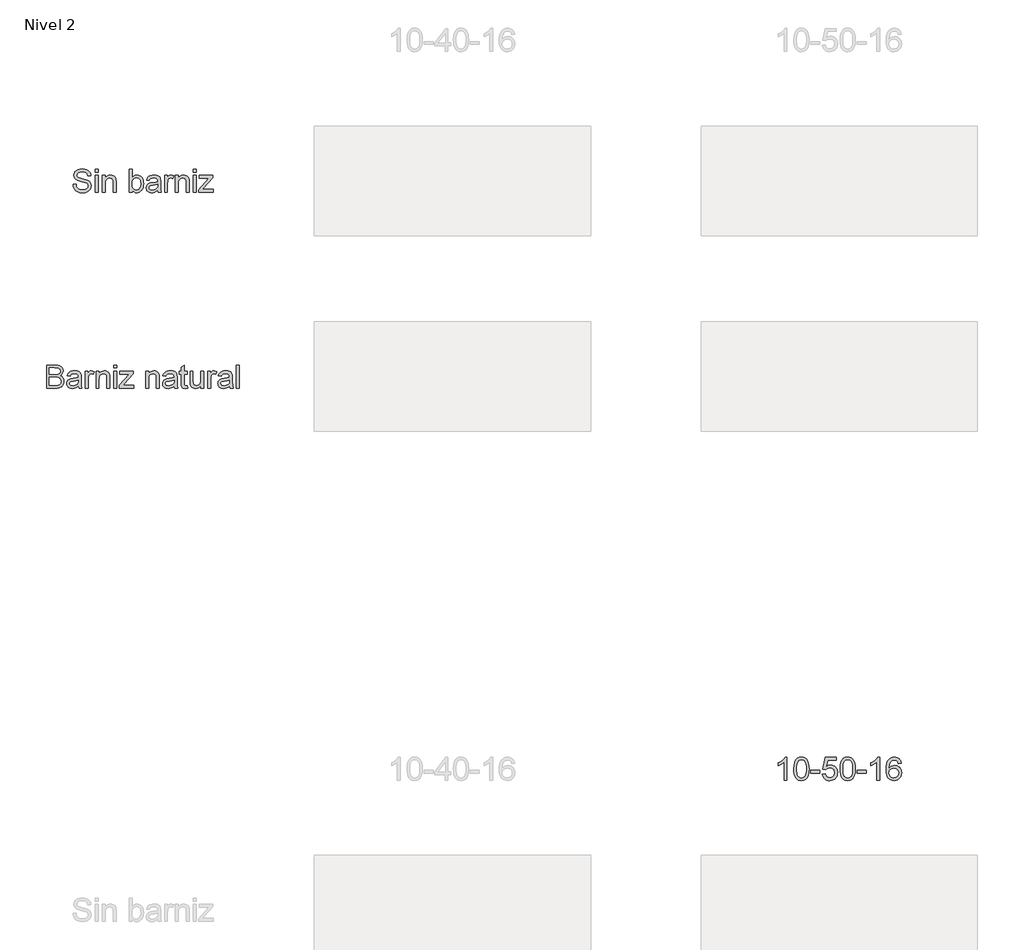
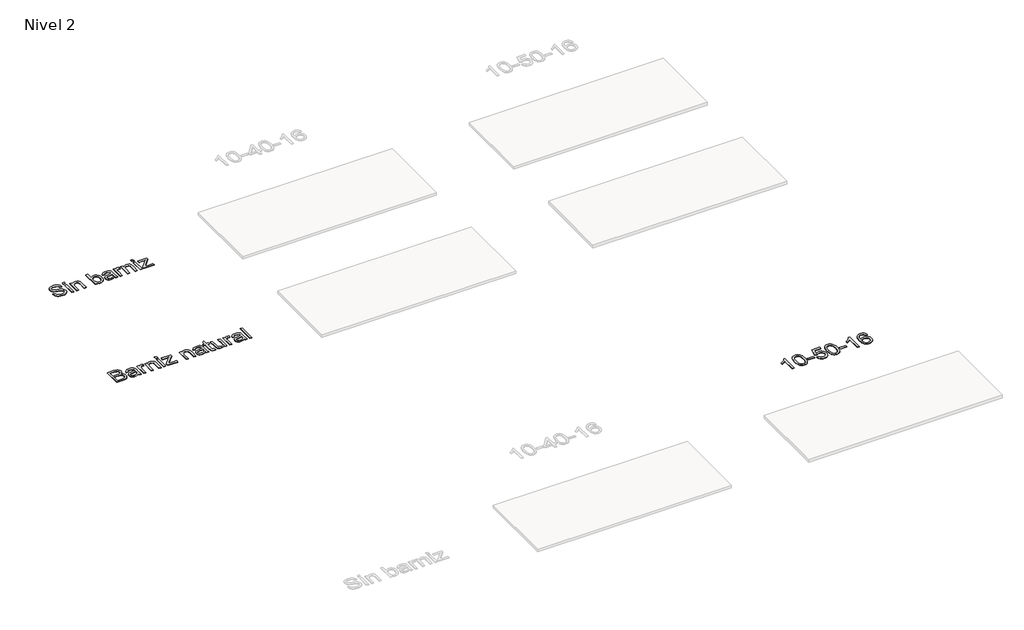
# One storey, part 9 of 51: 3 proxies.
"""IFC4 building model written with IfcOpenShell, lengths in millimetres."""

from ifc_helpers import new_model, si_unit, frame, origin, place, context, project, spatial, polyline, outline, extrude, element, save

model = new_model("IFC4")

# Units and contexts
model_context = context("Model", 3, world=origin())
ifc_project = project(units=[si_unit("LENGTHUNIT", "METRE", prefix="MILLI")], contexts=[model_context])

# Site, building, storey
site = spatial("IfcSite", under=ifc_project)
building = spatial("IfcBuilding", under=site)
storey = spatial("IfcBuildingStorey", under=building, Name="Nivel 2", Elevation=3000.0)

# Proxies
placement = place(None, origin())
element("IfcBuildingElementProxy", 1, Name="Texto de modelo 1", ObjectType="Texto de modelo 1", at=placement, inside=storey, context=model_context, shape_type="SweptSolid", body=[
    extrude(outline(polyline([(-14286.3795874, -54083.7972175), (-14236.1514323, -54083.7972175), (-14230.3879477, -54111.67041), (-14219.9646245, -54134.0744235), (-14203.7042403, -54151.8553866), (-14180.4295728, -54165.8594279), (-14151.9800318, -54174.9461132), (-14120.1950274, -54177.9750082), (-14092.2114703, -54175.6818771), (-14067.7105294, -54168.8024838), (-14047.8571644, -54157.9131768), (-14033.8163349, -54143.5903044), (-14025.4654137, -54127.1459792), (-14022.6817732, -54109.8923137), (-14024.7664379, -54093.0801065), (-14031.0204318, -54078.5487677), (-14043.7246233, -54066.1511444), (-14065.1598809, -54055.740084), (-14138.2948216, -54036.5611693), (-14186.3034219, -54023.8692405), (-14217.0215685, -54011.7904483), (-14242.0252815, -53994.892402), (-14259.7449309, -53974.4136376), (-14270.3031442, -53950.7956135), (-14273.8225486, -53924.4797881), (-14269.4692783, -53895.0614912), (-14256.4094675, -53867.6297571), (-14234.9864726, -53844.379615), (-14205.5436503, -53827.5060942), (-14170.2024533, -53817.2421865), (-14131.0843345, -53813.820884), (-14088.7043286, -53817.401602), (-14051.6218235, -53828.1437563), (-14021.1611943, -53845.8266175), (-13998.6468162, -53870.2294565), (-13984.3975203, -53899.8316944), (-13978.7321375, -53933.1127523), (-14028.9602926, -53933.1127523), (-14038.181868, -53903.1426324), (-14046.545052, -53891.2845694), (-14057.4098336, -53881.5111711), (-14087.4535298, -53868.414572), (-14129.1222972, -53864.049039), (-14171.7720831, -53868.3655211), (-14188.0753869, -53873.7611237), (-14201.0309645, -53881.3149673), (-14217.9535363, -53900.3712547), (-14223.5943935, -53923.0082601), (-14219.5967425, -53942.3098021), (-14207.6037895, -53957.8344223), (-14179.2523504, -53971.7158363), (-14125.59063, -53985.8915558), (-14070.212127, -53999.3560369), (-14036.71034, -54011.1037352), (-14008.076858, -54029.3261567), (-13988.1008657, -54051.8160094), (-13976.36543, -54078.3280385), (-13972.4536181, -54108.6169894), (-13976.9540412, -54139.5803907), (-13990.4553104, -54168.704382), (-14012.4056028, -54193.7694086), (-14042.2530954, -54212.5559158), (-14078.1461154, -54224.2913514), (-14118.2329901, -54228.2031633), (-14167.4433383, -54223.9847831), (-14207.947146, -54211.3296425), (-14240.210397, -54190.1886905), (-14264.6990751, -54160.5128762), (-14280.419899, -54124.3623388), (-14286.3795874, -54083.7972175)])), frame((0.0, 0.0, 3000.0), z_axis=(0.0, 0.0, 1.0), x_axis=(1.0, 0.0, 0.0)), (0.0, 0.0, 1.0), 10.0),
    extrude(outline(polyline([(-13903.3899049, -53870.3275584), (-13903.3899049, -53820.0994033), (-13853.1617498, -53820.0994033), (-13853.1617498, -53870.3275584), (-13903.3899049, -53870.3275584)])), frame((0.0, 0.0, 3000.0), z_axis=(0.0, 0.0, 1.0), x_axis=(1.0, 0.0, 0.0)), (0.0, 0.0, 1.0), 10.0),
    extrude(outline(polyline([(-13903.3899049, -54221.9246439), (-13903.3899049, -53926.8342329), (-13853.1617498, -53926.8342329), (-13853.1617498, -54221.9246439), (-13903.3899049, -54221.9246439)])), frame((0.0, 0.0, 3000.0), z_axis=(0.0, 0.0, 1.0), x_axis=(1.0, 0.0, 0.0)), (0.0, 0.0, 1.0), 10.0),
    extrude(outline(polyline([(-13777.8195172, -54221.9246439), (-13777.8195172, -53926.8342329), (-13727.5913622, -53926.8342329), (-13727.5913622, -53968.0370163), (-13710.1414929, -53947.2639463), (-13689.1844819, -53932.4260392), (-13664.7203292, -53923.5232949), (-13636.7490348, -53920.5557135), (-13611.9905765, -53922.9469465), (-13589.3167829, -53930.1206454), (-13570.4076484, -53941.1816307), (-13556.9431673, -53955.2347229), (-13547.8074311, -53972.2431338), (-13541.884531, -53992.1700752), (-13539.2357806, -54040.7304986), (-13539.2357806, -54221.9246439), (-13589.4639357, -54221.9246439), (-13589.4639357, -54047.4995273), (-13590.9109382, -54021.5270584), (-13595.2519458, -54003.0593823), (-13603.2595105, -53989.8278932), (-13615.7061847, -53979.5639855), (-13631.6600005, -53972.9788978), (-13650.1889904, -53970.7838686), (-13679.6072873, -53975.7134873), (-13704.6845766, -53990.5023435), (-13714.7062953, -54002.5750043), (-13721.8646658, -54019.0745118), (-13726.1596881, -54040.000866), (-13727.5913622, -54065.3540668), (-13727.5913622, -54221.9246439), (-13777.8195172, -54221.9246439)])), frame((0.0, 0.0, 3000.0), z_axis=(0.0, 0.0, 1.0), x_axis=(1.0, 0.0, 0.0)), (0.0, 0.0, 1.0), 10.0),
    extrude(outline(polyline([(-13262.9809277, -54221.9246439), (-13313.2090828, -54221.9246439), (-13313.2090828, -53820.0994033), (-13262.9809277, -53820.0994033), (-13262.9809277, -53969.1161369), (-13246.4630261, -53947.8709516), (-13227.811409, -53932.6958193), (-13207.0260763, -53923.5907399), (-13184.107028, -53920.5557135), (-13158.232661, -53923.290303), (-13133.780771, -53931.4940715), (-13112.1493097, -53944.6519842), (-13094.7362286, -53962.2490063), (-13081.0878066, -53984.1134595), (-13070.7503225, -54010.0736656), (-13064.2388112, -54039.0505041), (-13062.0683074, -54069.9648545), (-13064.3154533, -54105.6371453), (-13071.0568908, -54137.0174795), (-13082.2926201, -54164.105857), (-13098.0226411, -54186.902278), (-13116.9041845, -54204.9714153), (-13137.594481, -54217.877942), (-13160.0935307, -54225.621858), (-13184.4013335, -54228.2031633), (-13208.0745399, -54224.8738313), (-13229.0622078, -54214.8858351), (-13247.364337, -54198.2391748), (-13262.9809277, -54174.9338504), (-13262.9809277, -54221.9246439)]), holes=[polyline([(-13262.9809277, -54072.3192992), (-13259.5473624, -54114.2087957), (-13249.2466666, -54142.5602348), (-13237.0759039, -54158.0541982), (-13222.9308412, -54169.1213149), (-13206.8114784, -54175.7615849), (-13188.7178156, -54177.9750082), (-13173.6959675, -54176.3440647), (-13159.7287144, -54171.4512342), (-13146.8160564, -54163.2965166), (-13134.9579934, -54151.8799121), (-13125.0435736, -54137.2320773), (-13117.9618452, -54119.3836691), (-13113.7128082, -54098.3346877), (-13112.2964625, -54074.0851328), (-13117.7288533, -54028.1244089), (-13124.5193418, -54010.331183), (-13134.0260257, -53995.996048), (-13145.4579587, -53984.9657195), (-13158.0241945, -53977.0869134), (-13171.7247331, -53972.3596298), (-13186.5595746, -53970.7838686), (-13201.5814227, -53972.4148121), (-13215.5486758, -53977.3076426), (-13228.4613338, -53985.4623602), (-13240.3193968, -53996.8789648), (-13250.2338166, -54011.3796467), (-13257.315545, -54028.7865965), (-13261.564582, -54049.099814), (-13262.9809277, -54072.3192992)])]), frame((0.0, 0.0, 3000.0), z_axis=(0.0, 0.0, 1.0), x_axis=(1.0, 0.0, 0.0)), (0.0, 0.0, 1.0), 10.0),
    extrude(outline(polyline([(-12817.2060514, -54184.2535276), (-12841.2042202, -54204.8303939), (-12865.9136276, -54218.2948749), (-12891.8983592, -54225.7260912), (-12919.7225008, -54228.2031633), (-12942.0866604, -54226.7132412), (-12961.6978364, -54222.243475), (-12978.5560288, -54214.7938646), (-12992.6612377, -54204.36441), (-13003.7988651, -54191.6172989), (-13011.7543132, -54177.2147188), (-13016.5275821, -54161.1566697), (-13018.1186717, -54143.4431516), (-13015.715176, -54122.6210307), (-13008.5046889, -54103.7118962), (-12997.3823899, -54087.5250884), (-12983.2434586, -54074.8699477), (-12966.6274551, -54065.3050159), (-12948.0739398, -54058.3888343), (-12904.6148135, -54050.8349907), (-12853.258487, -54042.8887396), (-12817.500357, -54033.5690624), (-12817.2060514, -54022.3854498), (-12820.6641422, -53999.9691735), (-12831.0384144, -53985.3029446), (-12854.2395056, -53974.4136376), (-12886.5640703, -53970.7838686), (-12916.4851392, -53973.199627), (-12937.3808365, -53980.4469023), (-12951.6301325, -53993.8500697), (-12961.6119973, -54014.7335043), (-13011.8401523, -54008.4549849), (-13003.1213491, -53980.9864626), (-12990.1105892, -53959.4040522), (-12971.5938621, -53942.8984133), (-12946.3571572, -53930.6602056), (-12915.4918578, -53923.0818365), (-12880.0893471, -53920.5557135), (-12846.133839, -53922.7875309), (-12819.2171397, -53929.4829832), (-12798.9223163, -53939.5506872), (-12784.8324359, -53951.8992595), (-12775.4882332, -53967.1663623), (-12769.430443, -53985.9896577), (-12766.9778964, -54029.9392934), (-12766.9778964, -54092.4301816), (-12764.4272479, -54179.6917909), (-12754.4208576, -54221.9246439), (-12804.6490127, -54221.9246439), (-12812.6933656, -54204.4625119), (-12817.2060514, -54184.2535276)]), holes=[polyline([(-12817.2060514, -54083.7972175), (-12850.9530931, -54092.1604015), (-12898.2381922, -54099.1992103), (-12941.4520639, -54107.3416652), (-12952.6969903, -54112.908946), (-12961.0233861, -54120.585417), (-12966.173734, -54129.7824669), (-12967.8905167, -54139.9114845), (-12964.150383, -54154.8474935), (-12952.9299822, -54167.0857012), (-12934.4745688, -54175.2526815), (-12909.0293974, -54177.9750082), (-12882.0513844, -54174.9706386), (-12858.2126312, -54165.9575297), (-12838.8865637, -54152.6769897), (-12825.4466081, -54136.8703267), (-12819.4869198, -54120.585417), (-12817.500357, -54098.021988), (-12817.2060514, -54083.7972175)])]), frame((0.0, 0.0, 3000.0), z_axis=(0.0, 0.0, 1.0), x_axis=(1.0, 0.0, 0.0)), (0.0, 0.0, 1.0), 10.0),
    extrude(outline(polyline([(-12697.9141831, -54221.9246439), (-12697.9141831, -53926.8342329), (-12653.9645474, -53926.8342329), (-12653.9645474, -53970.489563), (-12637.7286887, -53945.1792817), (-12622.7681542, -53930.2677982), (-12607.7585688, -53922.9837347), (-12591.3755573, -53920.5557135), (-12566.3595816, -53924.4307372), (-12540.9511985, -53936.0558082), (-12557.7266175, -53981.0845644), (-12575.3849533, -53973.3590425), (-12593.043289, -53970.7838686), (-12608.0406117, -53973.2609407), (-12621.4437791, -53980.692157), (-12632.2717725, -53992.5134317), (-12639.5435732, -54008.1606793), (-12645.6504143, -54036.2178128), (-12647.6860281, -54066.8255948), (-12647.6860281, -54221.9246439), (-12697.9141831, -54221.9246439)])), frame((0.0, 0.0, 3000.0), z_axis=(0.0, 0.0, 1.0), x_axis=(1.0, 0.0, 0.0)), (0.0, 0.0, 1.0), 10.0),
    extrude(outline(polyline([(-12509.5586016, -54221.9246439), (-12509.5586016, -53926.8342329), (-12459.3304465, -53926.8342329), (-12459.3304465, -53968.0370163), (-12441.8805772, -53947.2639463), (-12420.9235662, -53932.4260392), (-12396.4594135, -53923.5232949), (-12368.4881192, -53920.5557135), (-12343.7296609, -53922.9469465), (-12321.0558673, -53930.1206454), (-12302.1467327, -53941.1816307), (-12288.6822517, -53955.2347229), (-12279.5465155, -53972.2431338), (-12273.6236154, -53992.1700752), (-12270.974865, -54040.7304986), (-12270.974865, -54221.9246439), (-12321.2030201, -54221.9246439), (-12321.2030201, -54047.4995273), (-12322.6500226, -54021.5270584), (-12326.9910301, -54003.0593823), (-12334.9985949, -53989.8278932), (-12347.4452691, -53979.5639855), (-12363.3990849, -53972.9788978), (-12381.9280747, -53970.7838686), (-12411.3463716, -53975.7134873), (-12436.423661, -53990.5023435), (-12446.4453796, -54002.5750043), (-12453.6037501, -54019.0745118), (-12457.8987724, -54040.000866), (-12459.3304465, -54065.3540668), (-12459.3304465, -54221.9246439), (-12509.5586016, -54221.9246439)])), frame((0.0, 0.0, 3000.0), z_axis=(0.0, 0.0, 1.0), x_axis=(1.0, 0.0, 0.0)), (0.0, 0.0, 1.0), 10.0),
    extrude(outline(polyline([(-12201.9111518, -53870.3275584), (-12201.9111518, -53820.0994033), (-12151.6829967, -53820.0994033), (-12151.6829967, -53870.3275584), (-12201.9111518, -53870.3275584)])), frame((0.0, 0.0, 3000.0), z_axis=(0.0, 0.0, 1.0), x_axis=(1.0, 0.0, 0.0)), (0.0, 0.0, 1.0), 10.0),
    extrude(outline(polyline([(-12201.9111518, -54221.9246439), (-12201.9111518, -53926.8342329), (-12151.6829967, -53926.8342329), (-12151.6829967, -54221.9246439), (-12201.9111518, -54221.9246439)])), frame((0.0, 0.0, 3000.0), z_axis=(0.0, 0.0, 1.0), x_axis=(1.0, 0.0, 0.0)), (0.0, 0.0, 1.0), 10.0),
    extrude(outline(polyline([(-12107.733361, -54221.9246439), (-12107.733361, -54174.6395448), (-11934.3873649, -53977.0623879), (-11985.6946405, -53977.0623879), (-12095.1763222, -53977.0623879), (-12095.1763222, -53926.8342329), (-11862.871105, -53926.8342329), (-11862.871105, -53969.5085443), (-12016.5967281, -54144.8165777), (-12040.1411757, -54171.6964889), (-11982.0648714, -54171.6964889), (-11856.5925856, -54171.6964889), (-11856.5925856, -54221.9246439), (-12107.733361, -54221.9246439)])), frame((0.0, 0.0, 3000.0), z_axis=(0.0, 0.0, 1.0), x_axis=(1.0, 0.0, 0.0)), (0.0, 0.0, 1.0), 10.0),
])
element("IfcBuildingElementProxy", 2, Name="Texto de modelo 1", ObjectType="Texto de modelo 1", at=placement, inside=storey, context=model_context, shape_type="SweptSolid", body=[
    extrude(outline(polyline([(-14747.8507621, -57621.9246439), (-14747.8507621, -57220.0994033), (-14594.5175465, -57220.0994033), (-14552.3460071, -57223.054722), (-14519.4205686, -57231.9206781), (-14494.1838637, -57246.9180008), (-14475.0785254, -57268.2674192), (-14463.0487842, -57293.3814968), (-14459.0388704, -57319.6727967), (-14462.4111221, -57343.8671692), (-14472.5278769, -57366.6145393), (-14489.4627114, -57386.5169552), (-14513.289202, -57402.1764655), (-14484.8273983, -57417.0388981), (-14463.7968109, -57439.6513781), (-14450.8105765, -57468.5178519), (-14446.4818317, -57502.1422663), (-14449.4371504, -57530.1626116), (-14458.3031064, -57556.1473432), (-14471.5345955, -57578.2447884), (-14487.5865133, -57594.6032744), (-14507.2436745, -57606.4490747), (-14531.2908943, -57615.0084624), (-14560.5129874, -57620.1955986), (-14595.6947689, -57621.9246439), (-14747.8507621, -57621.9246439)]), holes=[polyline([(-14697.622607, -57383.3409073), (-14605.8973629, -57383.3409073), (-14552.3337444, -57379.0244253), (-14533.5840254, -57371.5809462), (-14520.1072816, -57360.4341218), (-14511.9770895, -57345.7556302), (-14509.2670255, -57327.7171497), (-14511.7931485, -57310.2059667), (-14519.3715176, -57294.9511266), (-14531.6587763, -57283.0440127), (-14548.3115679, -57275.5760082), (-14573.8671039, -57271.6396709), (-14612.8625954, -57270.3275584), (-14697.622607, -57270.3275584), (-14697.622607, -57383.3409073)]), polyline([(-14697.622607, -57571.6964889), (-14594.6156484, -57571.6964889), (-14557.3369395, -57569.7344516), (-14525.7971898, -57558.7960936), (-14514.2211697, -57549.3660518), (-14504.9014925, -57536.4779192), (-14498.7578632, -57520.7080443), (-14496.7099867, -57502.6327756), (-14499.1134824, -57481.6389764), (-14506.3239695, -57463.5882332), (-14518.9177965, -57449.4738273), (-14537.4713118, -57440.2890402), (-14563.750349, -57435.2490569), (-14599.5207417, -57433.5690624), (-14697.622607, -57433.5690624), (-14697.622607, -57571.6964889)])]), frame((0.0, 0.0, 3000.0), z_axis=(0.0, 0.0, 1.0), x_axis=(1.0, 0.0, 0.0)), (0.0, 0.0, 1.0), 10.0),
    extrude(outline(polyline([(-14195.3410563, -57584.2535276), (-14219.3392251, -57604.8303939), (-14244.0486325, -57618.2948749), (-14270.033364, -57625.7260912), (-14297.8575056, -57628.2031633), (-14320.2216652, -57626.7132412), (-14339.8328413, -57622.243475), (-14356.6910337, -57614.7938646), (-14370.7962425, -57604.36441), (-14381.9338699, -57591.6172989), (-14389.8893181, -57577.2147188), (-14394.662587, -57561.1566697), (-14396.2536766, -57543.4431516), (-14393.8501809, -57522.6210307), (-14386.6396938, -57503.7118962), (-14375.5173948, -57487.5250884), (-14361.3784634, -57474.8699477), (-14344.76246, -57465.3050159), (-14326.2089447, -57458.3888343), (-14282.7498183, -57450.8349907), (-14231.3934918, -57442.8887396), (-14195.6353619, -57433.5690624), (-14195.3410563, -57422.3854498), (-14198.799147, -57399.9691735), (-14209.1734193, -57385.3029446), (-14232.3745105, -57374.4136376), (-14264.6990751, -57370.7838686), (-14294.6201441, -57373.199627), (-14315.5158414, -57380.4469023), (-14329.7651373, -57393.8500697), (-14339.7470021, -57414.7335043), (-14389.9751572, -57408.4549849), (-14381.2563539, -57380.9864626), (-14368.245594, -57359.4040522), (-14349.7288669, -57342.8984133), (-14324.4921621, -57330.6602056), (-14293.6268627, -57323.0818365), (-14258.224352, -57320.5557135), (-14224.2688438, -57322.7875309), (-14197.3521445, -57329.4829832), (-14177.0573211, -57339.5506872), (-14162.9674407, -57351.8992595), (-14153.623238, -57367.1663623), (-14147.5654479, -57385.9896577), (-14145.1129012, -57429.9392934), (-14145.1129012, -57492.4301816), (-14142.5622527, -57579.6917909), (-14132.5558624, -57621.9246439), (-14182.7840175, -57621.9246439), (-14190.8283705, -57604.4625119), (-14195.3410563, -57584.2535276)]), holes=[polyline([(-14195.3410563, -57483.7972175), (-14229.088098, -57492.1604015), (-14276.3731971, -57499.1992103), (-14319.5870688, -57507.3416652), (-14330.8319951, -57512.908946), (-14339.1583909, -57520.585417), (-14344.3087389, -57529.7824669), (-14346.0255215, -57539.9114845), (-14342.2853879, -57554.8474935), (-14331.064987, -57567.0857012), (-14312.6095736, -57575.2526815), (-14287.1644023, -57577.9750082), (-14260.1863893, -57574.9706386), (-14236.347636, -57565.9575297), (-14217.0215685, -57552.6769897), (-14203.581613, -57536.8703267), (-14197.6219247, -57520.585417), (-14195.6353619, -57498.021988), (-14195.3410563, -57483.7972175)])]), frame((0.0, 0.0, 3000.0), z_axis=(0.0, 0.0, 1.0), x_axis=(1.0, 0.0, 0.0)), (0.0, 0.0, 1.0), 10.0),
    extrude(outline(polyline([(-14076.049188, -57621.9246439), (-14076.049188, -57326.8342329), (-14032.0995523, -57326.8342329), (-14032.0995523, -57370.489563), (-14015.8636936, -57345.1792817), (-14000.9031591, -57330.2677982), (-13985.8935737, -57322.9837347), (-13969.5105622, -57320.5557135), (-13944.4945865, -57324.4307372), (-13919.0862034, -57336.0558082), (-13935.8616224, -57381.0845644), (-13953.5199581, -57373.3590425), (-13971.1782939, -57370.7838686), (-13986.1756166, -57373.2609407), (-13999.5787839, -57380.692157), (-14010.4067773, -57392.5134317), (-14017.6785781, -57408.1606793), (-14023.7854192, -57436.2178128), (-14025.8210329, -57466.8255948), (-14025.8210329, -57621.9246439), (-14076.049188, -57621.9246439)])), frame((0.0, 0.0, 3000.0), z_axis=(0.0, 0.0, 1.0), x_axis=(1.0, 0.0, 0.0)), (0.0, 0.0, 1.0), 10.0),
    extrude(outline(polyline([(-13887.6936065, -57621.9246439), (-13887.6936065, -57326.8342329), (-13837.4654514, -57326.8342329), (-13837.4654514, -57368.0370163), (-13820.0155821, -57347.2639463), (-13799.0585711, -57332.4260392), (-13774.5944184, -57323.5232949), (-13746.623124, -57320.5557135), (-13721.8646658, -57322.9469465), (-13699.1908721, -57330.1206454), (-13680.2817376, -57341.1816307), (-13666.8172566, -57355.2347229), (-13657.6815203, -57372.2431338), (-13651.7586202, -57392.1700752), (-13649.1098699, -57440.7304986), (-13649.1098699, -57621.9246439), (-13699.3380249, -57621.9246439), (-13699.3380249, -57447.4995273), (-13700.7850274, -57421.5270584), (-13705.126035, -57403.0593823), (-13713.1335997, -57389.8278932), (-13725.5802739, -57379.5639855), (-13741.5340898, -57372.9788978), (-13760.0630796, -57370.7838686), (-13789.4813765, -57375.7134873), (-13814.5586658, -57390.5023435), (-13824.5803845, -57402.5750043), (-13831.738755, -57419.0745118), (-13836.0337773, -57440.000866), (-13837.4654514, -57465.3540668), (-13837.4654514, -57621.9246439), (-13887.6936065, -57621.9246439)])), frame((0.0, 0.0, 3000.0), z_axis=(0.0, 0.0, 1.0), x_axis=(1.0, 0.0, 0.0)), (0.0, 0.0, 1.0), 10.0),
    extrude(outline(polyline([(-13580.0461566, -57270.3275584), (-13580.0461566, -57220.0994033), (-13529.8180016, -57220.0994033), (-13529.8180016, -57270.3275584), (-13580.0461566, -57270.3275584)])), frame((0.0, 0.0, 3000.0), z_axis=(0.0, 0.0, 1.0), x_axis=(1.0, 0.0, 0.0)), (0.0, 0.0, 1.0), 10.0),
    extrude(outline(polyline([(-13580.0461566, -57621.9246439), (-13580.0461566, -57326.8342329), (-13529.8180016, -57326.8342329), (-13529.8180016, -57621.9246439), (-13580.0461566, -57621.9246439)])), frame((0.0, 0.0, 3000.0), z_axis=(0.0, 0.0, 1.0), x_axis=(1.0, 0.0, 0.0)), (0.0, 0.0, 1.0), 10.0),
    extrude(outline(polyline([(-13485.8683659, -57621.9246439), (-13485.8683659, -57574.6395448), (-13312.5223697, -57377.0623879), (-13363.8296453, -57377.0623879), (-13473.3113271, -57377.0623879), (-13473.3113271, -57326.8342329), (-13241.0061099, -57326.8342329), (-13241.0061099, -57369.5085443), (-13394.7317329, -57544.8165777), (-13418.2761806, -57571.6964889), (-13360.1998763, -57571.6964889), (-13234.7275905, -57571.6964889), (-13234.7275905, -57621.9246439), (-13485.8683659, -57621.9246439)])), frame((0.0, 0.0, 3000.0), z_axis=(0.0, 0.0, 1.0), x_axis=(1.0, 0.0, 0.0)), (0.0, 0.0, 1.0), 10.0),
    extrude(outline(polyline([(-13027.5364508, -57621.9246439), (-13027.5364508, -57326.8342329), (-12977.3082957, -57326.8342329), (-12977.3082957, -57368.0370163), (-12959.8584264, -57347.2639463), (-12938.9014154, -57332.4260392), (-12914.4372628, -57323.5232949), (-12886.4659684, -57320.5557135), (-12861.7075101, -57322.9469465), (-12839.0337165, -57330.1206454), (-12820.1245819, -57341.1816307), (-12806.6601009, -57355.2347229), (-12797.5243647, -57372.2431338), (-12791.6014646, -57392.1700752), (-12788.9527142, -57440.7304986), (-12788.9527142, -57621.9246439), (-12839.1808693, -57621.9246439), (-12839.1808693, -57447.4995273), (-12840.6278718, -57421.5270584), (-12844.9688793, -57403.0593823), (-12852.9764441, -57389.8278932), (-12865.4231183, -57379.5639855), (-12881.3769341, -57372.9788978), (-12899.9059239, -57370.7838686), (-12929.3242208, -57375.7134873), (-12954.4015102, -57390.5023435), (-12964.4232288, -57402.5750043), (-12971.5815993, -57419.0745118), (-12975.8766216, -57440.000866), (-12977.3082957, -57465.3540668), (-12977.3082957, -57621.9246439), (-13027.5364508, -57621.9246439)])), frame((0.0, 0.0, 3000.0), z_axis=(0.0, 0.0, 1.0), x_axis=(1.0, 0.0, 0.0)), (0.0, 0.0, 1.0), 10.0),
    extrude(outline(polyline([(-12531.5334194, -57584.2535276), (-12555.5315883, -57604.8303939), (-12580.2409956, -57618.2948749), (-12606.2257272, -57625.7260912), (-12634.0498688, -57628.2031633), (-12656.4140284, -57626.7132412), (-12676.0252044, -57622.243475), (-12692.8833968, -57614.7938646), (-12706.9886057, -57604.36441), (-12718.1262331, -57591.6172989), (-12726.0816812, -57577.2147188), (-12730.8549501, -57561.1566697), (-12732.4460397, -57543.4431516), (-12730.042544, -57522.6210307), (-12722.8320569, -57503.7118962), (-12711.7097579, -57487.5250884), (-12697.5708266, -57474.8699477), (-12680.9548231, -57465.3050159), (-12662.4013079, -57458.3888343), (-12618.9421815, -57450.8349907), (-12567.585855, -57442.8887396), (-12531.827725, -57433.5690624), (-12531.5334194, -57422.3854498), (-12534.9915102, -57399.9691735), (-12545.3657825, -57385.3029446), (-12568.5668736, -57374.4136376), (-12600.8914383, -57370.7838686), (-12630.8125072, -57373.199627), (-12651.7082045, -57380.4469023), (-12665.9575005, -57393.8500697), (-12675.9393653, -57414.7335043), (-12726.1675204, -57408.4549849), (-12717.4487171, -57380.9864626), (-12704.4379572, -57359.4040522), (-12685.9212301, -57342.8984133), (-12660.6845252, -57330.6602056), (-12629.8192258, -57323.0818365), (-12594.4167151, -57320.5557135), (-12560.461207, -57322.7875309), (-12533.5445077, -57329.4829832), (-12513.2496843, -57339.5506872), (-12499.1598039, -57351.8992595), (-12489.8156012, -57367.1663623), (-12483.757811, -57385.9896577), (-12481.3052644, -57429.9392934), (-12481.3052644, -57492.4301816), (-12478.7546159, -57579.6917909), (-12468.7482256, -57621.9246439), (-12518.9763807, -57621.9246439), (-12527.0207336, -57604.4625119), (-12531.5334194, -57584.2535276)]), holes=[polyline([(-12531.5334194, -57483.7972175), (-12565.2804611, -57492.1604015), (-12612.5655602, -57499.1992103), (-12655.7794319, -57507.3416652), (-12667.0243583, -57512.908946), (-12675.3507541, -57520.585417), (-12680.501102, -57529.7824669), (-12682.2178847, -57539.9114845), (-12678.477751, -57554.8474935), (-12667.2573502, -57567.0857012), (-12648.8019368, -57575.2526815), (-12623.3567654, -57577.9750082), (-12596.3787525, -57574.9706386), (-12572.5399992, -57565.9575297), (-12553.2139317, -57552.6769897), (-12539.7739761, -57536.8703267), (-12533.8142878, -57520.585417), (-12531.827725, -57498.021988), (-12531.5334194, -57483.7972175)])]), frame((0.0, 0.0, 3000.0), z_axis=(0.0, 0.0, 1.0), x_axis=(1.0, 0.0, 0.0)), (0.0, 0.0, 1.0), 10.0),
    extrude(outline(polyline([(-12305.5067216, -57580.0351474), (-12299.2282022, -57623.3961719), (-12336.8012167, -57628.2031633), (-12360.9097501, -57626.1184987), (-12378.8869169, -57619.8645048), (-12391.5911085, -57610.2259965), (-12399.8807161, -57597.9877888), (-12404.4424528, -57576.9694641), (-12405.9630318, -57540.990605), (-12405.9630318, -57377.0623879), (-12443.6341481, -57377.0623879), (-12443.6341481, -57326.8342329), (-12405.9630318, -57326.8342329), (-12405.9630318, -57255.1217693), (-12355.7348767, -57225.5931078), (-12355.7348767, -57326.8342329), (-12305.5067216, -57326.8342329), (-12305.5067216, -57377.0623879), (-12355.7348767, -57377.0623879), (-12355.7348767, -57539.519077), (-12353.0861263, -57565.4179695), (-12344.5022131, -57574.5904939), (-12327.3834376, -57577.9750082), (-12305.5067216, -57580.0351474)])), frame((0.0, 0.0, 3000.0), z_axis=(0.0, 0.0, 1.0), x_axis=(1.0, 0.0, 0.0)), (0.0, 0.0, 1.0), 10.0),
    extrude(outline(polyline([(-12066.922985, -57621.9246439), (-12066.922985, -57571.2059795), (-12085.0963556, -57596.1422474), (-12106.261833, -57613.9538674), (-12130.4194174, -57624.6408393), (-12157.5691086, -57628.2031633), (-12182.0332613, -57625.7015658), (-12204.8051568, -57618.1967731), (-12223.9104951, -57606.9150585), (-12237.3749761, -57593.0826955), (-12246.4371359, -57576.2827511), (-12252.3355106, -57556.0982923), (-12255.2785665, -57509.4018043), (-12255.2785665, -57326.8342329), (-12205.0504115, -57326.8342329), (-12205.0504115, -57485.7592548), (-12202.0092536, -57536.9684285), (-12194.6884019, -57554.0504158), (-12182.1436259, -57567.0366503), (-12165.2087914, -57575.2404187), (-12144.7177642, -57577.9750082), (-12123.0495147, -57575.1791051), (-12102.7792168, -57566.7913956), (-12086.0651115, -57553.584432), (-12075.0654398, -57536.3307664), (-12068.9585987, -57512.7004796), (-12066.922985, -57480.3636522), (-12066.922985, -57326.8342329), (-12016.6948299, -57326.8342329), (-12016.6948299, -57621.9246439), (-12066.922985, -57621.9246439)])), frame((0.0, 0.0, 3000.0), z_axis=(0.0, 0.0, 1.0), x_axis=(1.0, 0.0, 0.0)), (0.0, 0.0, 1.0), 10.0),
    extrude(outline(polyline([(-11947.6311167, -57621.9246439), (-11947.6311167, -57326.8342329), (-11903.681481, -57326.8342329), (-11903.681481, -57370.489563), (-11887.4456223, -57345.1792817), (-11872.4850878, -57330.2677982), (-11857.4755024, -57322.9837347), (-11841.0924909, -57320.5557135), (-11816.0765152, -57324.4307372), (-11790.6681321, -57336.0558082), (-11807.4435511, -57381.0845644), (-11825.1018868, -57373.3590425), (-11842.7602226, -57370.7838686), (-11857.7575453, -57373.2609407), (-11871.1607126, -57380.692157), (-11881.988706, -57392.5134317), (-11889.2605068, -57408.1606793), (-11895.3673479, -57436.2178128), (-11897.4029616, -57466.8255948), (-11897.4029616, -57621.9246439), (-11947.6311167, -57621.9246439)])), frame((0.0, 0.0, 3000.0), z_axis=(0.0, 0.0, 1.0), x_axis=(1.0, 0.0, 0.0)), (0.0, 0.0, 1.0), 10.0),
    extrude(outline(polyline([(-11570.9199536, -57584.2535276), (-11594.9181225, -57604.8303939), (-11619.6275298, -57618.2948749), (-11645.6122614, -57625.7260912), (-11673.436403, -57628.2031633), (-11695.8005626, -57626.7132412), (-11715.4117386, -57622.243475), (-11732.269931, -57614.7938646), (-11746.3751399, -57604.36441), (-11757.5127673, -57591.6172989), (-11765.4682154, -57577.2147188), (-11770.2414843, -57561.1566697), (-11771.8325739, -57543.4431516), (-11769.4290782, -57522.6210307), (-11762.2185911, -57503.7118962), (-11751.0962921, -57487.5250884), (-11736.9573608, -57474.8699477), (-11720.3413573, -57465.3050159), (-11701.7878421, -57458.3888343), (-11658.3287157, -57450.8349907), (-11606.9723892, -57442.8887396), (-11571.2142592, -57433.5690624), (-11570.9199536, -57422.3854498), (-11574.3780444, -57399.9691735), (-11584.7523167, -57385.3029446), (-11607.9534078, -57374.4136376), (-11640.2779725, -57370.7838686), (-11670.1990414, -57373.199627), (-11691.0947387, -57380.4469023), (-11705.3440347, -57393.8500697), (-11715.3258995, -57414.7335043), (-11765.5540545, -57408.4549849), (-11756.8352513, -57380.9864626), (-11743.8244914, -57359.4040522), (-11725.3077643, -57342.8984133), (-11700.0710594, -57330.6602056), (-11669.20576, -57323.0818365), (-11633.8032493, -57320.5557135), (-11599.8477412, -57322.7875309), (-11572.9310419, -57329.4829832), (-11552.6362185, -57339.5506872), (-11538.5463381, -57351.8992595), (-11529.2021354, -57367.1663623), (-11523.1443452, -57385.9896577), (-11520.6917986, -57429.9392934), (-11520.6917986, -57492.4301816), (-11518.1411501, -57579.6917909), (-11508.1347598, -57621.9246439), (-11558.3629149, -57621.9246439), (-11566.4072678, -57604.4625119), (-11570.9199536, -57584.2535276)]), holes=[polyline([(-11570.9199536, -57483.7972175), (-11604.6669953, -57492.1604015), (-11651.9520944, -57499.1992103), (-11695.1659661, -57507.3416652), (-11706.4108925, -57512.908946), (-11714.7372883, -57520.585417), (-11719.8876362, -57529.7824669), (-11721.6044189, -57539.9114845), (-11717.8642852, -57554.8474935), (-11706.6438844, -57567.0857012), (-11688.188471, -57575.2526815), (-11662.7432996, -57577.9750082), (-11635.7652867, -57574.9706386), (-11611.9265334, -57565.9575297), (-11592.6004659, -57552.6769897), (-11579.1605103, -57536.8703267), (-11573.200822, -57520.585417), (-11571.2142592, -57498.021988), (-11570.9199536, -57483.7972175)])]), frame((0.0, 0.0, 3000.0), z_axis=(0.0, 0.0, 1.0), x_axis=(1.0, 0.0, 0.0)), (0.0, 0.0, 1.0), 10.0),
    extrude(outline(polyline([(-11451.6280853, -57621.9246439), (-11451.6280853, -57220.0994033), (-11401.3999303, -57220.0994033), (-11401.3999303, -57621.9246439), (-11451.6280853, -57621.9246439)])), frame((0.0, 0.0, 3000.0), z_axis=(0.0, 0.0, 1.0), x_axis=(1.0, 0.0, 0.0)), (0.0, 0.0, 1.0), 10.0),
])
element("IfcBuildingElementProxy", 3, Name="Texto de modelo 1", ObjectType="Texto de modelo 1", at=placement, inside=storey, context=model_context, shape_type="SweptSolid", body=[
    extrude(outline(polyline([(-1890.325065, -64430.3053468), (-1940.5532201, -64430.3053468), (-1940.5532201, -64117.1641925), (-1961.5224938, -64134.1235525), (-1988.1326248, -64151.058387), (-2041.0095302, -64176.4177192), (-2041.0095302, -64128.9364164), (-2001.5603176, -64107.4766333), (-1967.3840803, -64081.9456229), (-1940.4428555, -64054.7959316), (-1922.6986806, -64028.4801062), (-1890.325065, -64028.4801062), (-1890.325065, -64430.3053468)])), frame((0.0, 0.0, 3000.0), z_axis=(0.0, 0.0, 1.0), x_axis=(1.0, 0.0, 0.0)), (0.0, 0.0, 1.0), 10.0),
    extrude(outline(polyline([(-1771.0331967, -64232.6300881), (-1767.342114, -64168.3120526), (-1756.268866, -64117.0170397), (-1737.9238171, -64077.9602346), (-1726.0657541, -64062.7268543), (-1712.4173321, -64050.3568222), (-1696.9325658, -64040.785759), (-1679.56547, -64033.9492852), (-1639.1842896, -64028.4801062), (-1608.2331511, -64031.7174678), (-1580.5193741, -64041.4295525), (-1557.3428084, -64057.2362155), (-1540.0033037, -64078.7573122), (-1526.9067047, -64105.8089016), (-1516.458856, -64138.2070427), (-1509.6162509, -64179.3485125), (-1507.3353825, -64232.6300881), (-1510.989677, -64296.5802416), (-1521.9525605, -64347.7526271), (-1540.1872447, -64386.8462205), (-1552.0177165, -64402.125586), (-1565.6569415, -64414.5599974), (-1581.1601019, -64424.19544), (-1598.5823801, -64431.077899), (-1639.1842896, -64436.5838662), (-1666.8490157, -64434.1926333), (-1691.374482, -64427.0189343), (-1712.7606887, -64415.0627695), (-1731.0076356, -64398.3241387), (-1748.5188186, -64368.0658446), (-1761.0268064, -64330.3640715), (-1768.5315991, -64285.2188193), (-1771.0331967, -64232.6300881)]), holes=[polyline([(-1720.8050416, -64232.5319862), (-1719.3335136, -64276.1965134), (-1714.9189297, -64311.5407761), (-1707.5612898, -64338.5647743), (-1697.2605939, -64357.2685081), (-1684.801657, -64369.9941594), (-1670.969294, -64379.0839104), (-1655.7635049, -64384.537761), (-1639.1842896, -64386.3557111), (-1622.6050744, -64384.5316296), (-1607.3992852, -64379.0593849), (-1593.5669222, -64369.9389771), (-1581.1079853, -64357.1704062), (-1570.8072894, -64338.4360156), (-1563.4496495, -64311.4181487), (-1559.0350656, -64276.1168056), (-1557.5635376, -64232.5319862), (-1558.9860147, -64190.0232217), (-1563.2534458, -64155.3012927), (-1570.3658311, -64128.3661993), (-1580.3231704, -64109.2179414), (-1592.5736408, -64095.8699564), (-1606.5654194, -64086.3356813), (-1622.298506, -64080.6151163), (-1639.7729008, -64078.7082613), (-1656.2662769, -64080.3882558), (-1671.2145487, -64085.4282391), (-1684.617716, -64093.8282113), (-1696.475779, -64105.5881724), (-1707.1198314, -64126.4348188), (-1714.722726, -64154.5410033), (-1719.2844627, -64189.9067257), (-1720.8050416, -64232.5319862)])]), frame((0.0, 0.0, 3000.0), z_axis=(0.0, 0.0, 1.0), x_axis=(1.0, 0.0, 0.0)), (0.0, 0.0, 1.0), 10.0),
    extrude(outline(polyline([(-1475.9427856, -64311.0134785), (-1475.9427856, -64260.7853235), (-1318.979801, -64260.7853235), (-1318.979801, -64311.0134785), (-1475.9427856, -64311.0134785)])), frame((0.0, 0.0, 3000.0), z_axis=(0.0, 0.0, 1.0), x_axis=(1.0, 0.0, 0.0)), (0.0, 0.0, 1.0), 10.0),
    extrude(outline(polyline([(-1275.0301653, -64323.5705173), (-1224.8020103, -64317.2919979), (-1215.5804349, -64347.4460588), (-1199.491729, -64369.0407319), (-1176.6094689, -64382.0269663), (-1147.007231, -64386.3557111), (-1127.8773673, -64384.8504606), (-1111.0038464, -64380.3347092), (-1096.3866685, -64372.8084567), (-1084.0258334, -64362.2717032), (-1074.1972528, -64349.2456149), (-1067.1768381, -64334.2513579), (-1061.5605063, -64298.3583379), (-1066.8212188, -64264.5622453), (-1073.3971095, -64250.6440431), (-1082.6033564, -64238.7124037), (-1094.4706164, -64229.1413405), (-1109.0295464, -64222.3048668), (-1146.2224161, -64216.8356878), (-1170.5884669, -64219.0184543), (-1190.3192046, -64225.5667538), (-1206.0768167, -64235.5976695), (-1218.5234909, -64248.2282847), (-1268.7516459, -64241.9497653), (-1224.8020103, -64034.7586256), (-1030.1679093, -64034.7586256), (-1030.1679093, -64084.9867807), (-1184.187838, -64084.9867807), (-1205.6721465, -64195.6456848), (-1187.9463657, -64182.9414933), (-1169.7913892, -64173.8670707), (-1151.2072171, -64168.4224172), (-1132.1938493, -64166.6075327), (-1107.7327623, -64168.8577442), (-1085.2643695, -64175.6083788), (-1064.7886708, -64186.8594365), (-1046.3056662, -64202.6109173), (-1031.0048409, -64221.9001966), (-1020.0756799, -64243.7646498), (-1013.5181834, -64268.204277), (-1011.3323512, -64295.2190782), (-1013.3005199, -64321.240598), (-1019.2050259, -64345.4472333), (-1029.0458693, -64367.8389841), (-1042.82305, -64388.4158503), (-1063.6942218, -64409.4893573), (-1088.0480099, -64424.5418622), (-1115.8844142, -64433.5733652), (-1147.2034347, -64436.5838662), (-1173.123787, -64434.6494201), (-1196.5364103, -64428.8460816), (-1217.4413047, -64419.1738508), (-1235.8384701, -64405.6327277), (-1251.1454268, -64388.8971626), (-1262.7796949, -64369.6416058), (-1270.7412744, -64347.8660574), (-1275.0301653, -64323.5705173)])), frame((0.0, 0.0, 3000.0), z_axis=(0.0, 0.0, 1.0), x_axis=(1.0, 0.0, 0.0)), (0.0, 0.0, 1.0), 10.0),
    extrude(outline(polyline([(-967.3827155, -64232.6300881), (-963.6916328, -64168.3120526), (-952.6183848, -64117.0170397), (-934.2733359, -64077.9602346), (-922.415273, -64062.7268543), (-908.7668509, -64050.3568222), (-893.2820846, -64040.785759), (-875.9149888, -64033.9492852), (-835.5338084, -64028.4801062), (-804.5826699, -64031.7174678), (-776.8688929, -64041.4295525), (-753.6923272, -64057.2362155), (-736.3528225, -64078.7573122), (-723.2562235, -64105.8089016), (-712.8083748, -64138.2070427), (-705.9657697, -64179.3485125), (-703.6849014, -64232.6300881), (-707.3391958, -64296.5802416), (-718.3020793, -64347.7526271), (-736.5367635, -64386.8462205), (-748.3672353, -64402.125586), (-762.0064603, -64414.5599974), (-777.5096207, -64424.19544), (-794.9318989, -64431.077899), (-835.5338084, -64436.5838662), (-863.1985345, -64434.1926333), (-887.7240008, -64427.0189343), (-909.1102075, -64415.0627695), (-927.3571544, -64398.3241387), (-944.8683374, -64368.0658446), (-957.3763252, -64330.3640715), (-964.8811179, -64285.2188193), (-967.3827155, -64232.6300881)]), holes=[polyline([(-917.1545604, -64232.5319862), (-915.6830324, -64276.1965134), (-911.2684485, -64311.5407761), (-903.9108086, -64338.5647743), (-893.6101127, -64357.2685081), (-881.1511758, -64369.9941594), (-867.3188128, -64379.0839104), (-852.1130237, -64384.537761), (-835.5338084, -64386.3557111), (-818.9545932, -64384.5316296), (-803.748804, -64379.0593849), (-789.916441, -64369.9389771), (-777.4575041, -64357.1704062), (-767.1568083, -64338.4360156), (-759.7991683, -64311.4181487), (-755.3845844, -64276.1168056), (-753.9130564, -64232.5319862), (-755.3355335, -64190.0232217), (-759.6029646, -64155.3012927), (-766.7153499, -64128.3661993), (-776.6726892, -64109.2179414), (-788.9231596, -64095.8699564), (-802.9149382, -64086.3356813), (-818.6480248, -64080.6151163), (-836.1224196, -64078.7082613), (-852.6157957, -64080.3882558), (-867.5640675, -64085.4282391), (-880.9672348, -64093.8282113), (-892.8252978, -64105.5881724), (-903.4693502, -64126.4348188), (-911.0722448, -64154.5410033), (-915.6339815, -64189.9067257), (-917.1545604, -64232.5319862)])]), frame((0.0, 0.0, 3000.0), z_axis=(0.0, 0.0, 1.0), x_axis=(1.0, 0.0, 0.0)), (0.0, 0.0, 1.0), 10.0),
    extrude(outline(polyline([(-672.2923044, -64311.0134785), (-672.2923044, -64260.7853235), (-515.3293198, -64260.7853235), (-515.3293198, -64311.0134785), (-672.2923044, -64311.0134785)])), frame((0.0, 0.0, 3000.0), z_axis=(0.0, 0.0, 1.0), x_axis=(1.0, 0.0, 0.0)), (0.0, 0.0, 1.0), 10.0),
    extrude(outline(polyline([(-283.0241026, -64430.3053468), (-333.2522577, -64430.3053468), (-333.2522577, -64117.1641925), (-354.2215314, -64134.1235525), (-380.8316624, -64151.058387), (-433.7085678, -64176.4177192), (-433.7085678, -64128.9364164), (-394.2593552, -64107.4766333), (-360.0831179, -64081.9456229), (-333.1418931, -64054.7959316), (-315.3977182, -64028.4801062), (-283.0241026, -64028.4801062), (-283.0241026, -64430.3053468)])), frame((0.0, 0.0, 3000.0), z_axis=(0.0, 0.0, 1.0), x_axis=(1.0, 0.0, 0.0)), (0.0, 0.0, 1.0), 10.0),
    extrude(outline(polyline([(93.6870605, -64135.2149358), (43.4589054, -64141.4934552), (35.3655015, -64116.6001068), (24.4271435, -64099.6039586), (1.6429853, -64083.9321856), (-25.8991134, -64078.7082613), (-49.2473574, -64081.7494191), (-71.2221752, -64090.8728926), (-90.0945216, -64110.0885955), (-105.5087772, -64136.539311), (-115.9198377, -64173.9529099), (-119.7825986, -64226.0572631), (-99.634928, -64202.5496036), (-75.4896064, -64185.9826511), (-48.6955344, -64176.1602018), (-20.6016127, -64172.8860521), (3.5314462, -64175.1240009), (25.8005696, -64181.8378473), (46.2057576, -64193.0275913), (64.7470102, -64208.6932329), (80.1551344, -64227.9028045), (91.1609374, -64249.7243381), (97.7644192, -64274.157834), (99.9655798, -64301.203292), (95.820776, -64337.1698884), (83.3863646, -64370.5122599), (63.6924151, -64398.7901226), (37.7689972, -64419.5631926), (6.7933332, -64432.3286978), (-28.0573545, -64436.5838662), (-57.9998832, -64433.7634376), (-85.0422755, -64425.3021517), (-109.1845315, -64411.2000086), (-130.426651, -64391.4570081), (-147.7446959, -64365.2392846), (-160.114728, -64331.7129721), (-167.5367473, -64290.8780707), (-170.0107537, -64242.7345802), (-167.2639015, -64188.7601602), (-159.0233448, -64142.695203), (-145.2890836, -64104.5397087), (-126.061118, -64074.2936774), (-105.220603, -64054.25024), (-81.0568872, -64039.933499), (-53.5699708, -64031.3434544), (-22.7598537, -64028.4801062), (0.3737924, -64030.2520712), (21.3124093, -64035.567966), (40.0559969, -64044.4277907), (56.6045553, -64056.8315453), (70.5104948, -64072.3622969), (81.3262254, -64090.6031125), (89.0517473, -64111.5539921), (93.6870605, -64135.2149358)]), holes=[polyline([(-119.7825986, -64300.4184771), (-116.8763308, -64322.6753378), (-108.1575276, -64343.9266544), (-94.6194701, -64362.1981268), (-77.25544, -64375.515455), (-56.298429, -64383.6456471), (-31.9814291, -64386.3557111), (1.1647387, -64380.7393794), (15.0798751, -64373.7189646), (27.2230467, -64363.890384), (37.0730871, -64351.6521763), (44.1088302, -64337.4028803), (49.7374248, -64302.8710237), (44.1824066, -64269.7248559), (37.238634, -64256.1040251), (27.5173523, -64244.4513629), (15.3373925, -64235.1163572), (1.0175859, -64228.4484961), (-34.0415683, -64223.1142072), (-67.1386851, -64228.4484961), (-94.8156739, -64244.4513629), (-105.7387034, -64255.9507409), (-113.5408674, -64269.1117193), (-118.2221658, -64283.934298), (-119.7825986, -64300.4184771)])]), frame((0.0, 0.0, 3000.0), z_axis=(0.0, 0.0, 1.0), x_axis=(1.0, 0.0, 0.0)), (0.0, 0.0, 1.0), 10.0),
])

save(model, "model.ifc")
